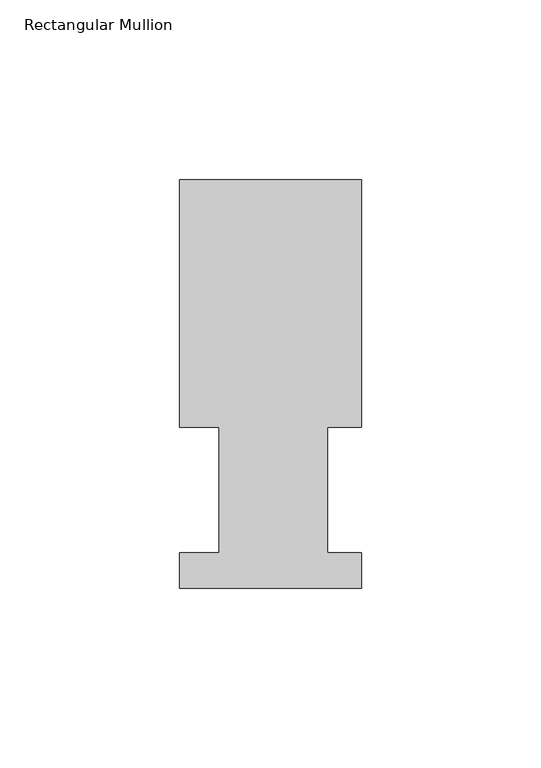
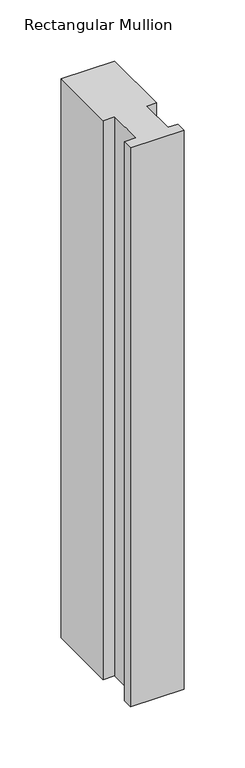
"""IFC4 building model written with IfcOpenShell, lengths in millimetres: member geometry, Rectangular Mullion."""

from ifc_helpers import new_model, si_unit, frame, origin, place, context, project, spatial, polyline, outline, extrude, source, transform, mapped, element, save


def rectangular_mullion_4e1f6309(model_context):
    return source(origin(), model_context, "Body", "SweptSolid", [
        extrude(outline(polyline([(-50.8, 113.8189875), (0.0, 113.8189875), (0.0, 44.8579875), (-9.525, 44.8579875), (-9.525, 9.9329875), (0.0, 9.9329875), (0.0, 0.0269875), (-50.8, 0.0269875), (-50.8, 9.9329875), (-39.6875, 9.9329875), (-39.6875, 44.8579875), (-50.8, 44.8579875), (-50.8, 113.8189875)])), frame((0.0, 0.0, -558.8), z_axis=(0.0, 0.0, 1.0), x_axis=(1.0, 0.0, 0.0)), (0.0, 0.0, 1.0), 558.8),
    ])


if __name__ == "__main__":
    model = new_model("IFC4")
    model_context = context("Model", 3, world=origin())
    ifc_project = project(units=[si_unit("LENGTHUNIT", "METRE", prefix="MILLI")], contexts=[model_context])
    site = spatial("IfcSite", under=ifc_project)
    building = spatial("IfcBuilding", under=site)
    placement = place(None, origin())
    rectangular_mullion_shape = rectangular_mullion_4e1f6309(model_context)
    element("IfcMember", 1, ObjectType="Rectangular Mullion", at=placement, inside=building, context=model_context, shape_type="MappedRepresentation", body=[
        mapped(rectangular_mullion_shape, transform((0.0, 0.0, 0.0), x_axis=(1.0, 0.0, 0.0), y_axis=(0.0, 1.0, 0.0), z_axis=(0.0, 0.0, 1.0))),
    ])
    save(model, "model.ifc")
